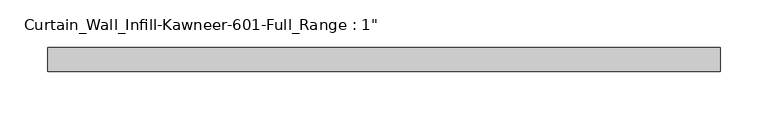
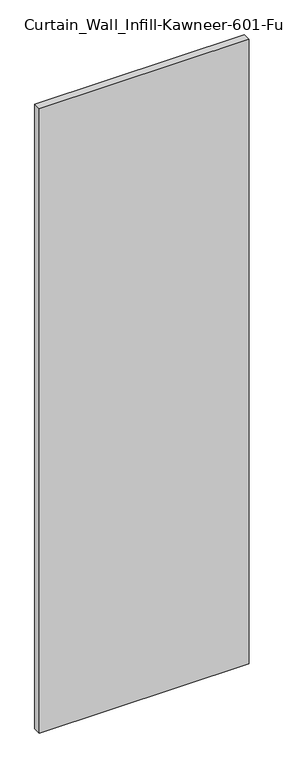
"""IFC4 building model written with IfcOpenShell, lengths in millimetres: plate geometry."""

from ifc_helpers import new_model, si_unit, origin, origin_with_axes, place, context, project, spatial, polyline, outline, extrude, source, transform, mapped, element, save


def plate_1256f956(model_context):
    return source(origin(), model_context, "Body", "SweptSolid", [
        extrude(outline(polyline([(-352.425, 12.7), (352.425, 12.7), (352.425, -12.7), (-352.425, -12.7), (-352.425, 12.7)])), origin_with_axes(), (0.0, 0.0, 1.0), 2216.15),
    ])


if __name__ == "__main__":
    model = new_model("IFC4")
    model_context = context("Model", 3, world=origin())
    ifc_project = project(units=[si_unit("LENGTHUNIT", "METRE", prefix="MILLI")], contexts=[model_context])
    site = spatial("IfcSite", under=ifc_project)
    building = spatial("IfcBuilding", under=site)
    placement = place(None, origin())
    plate_shape = plate_1256f956(model_context)
    element("IfcPlate", 1, ObjectType="Curtain_Wall_Infill-Kawneer-601-Full_Range : 1\"", at=placement, inside=building, context=model_context, shape_type="MappedRepresentation", body=[
        mapped(plate_shape, transform((0.0, 0.0, 0.0), x_axis=(1.0, 0.0, 0.0), y_axis=(0.0, 1.0, 0.0), z_axis=(0.0, 0.0, 1.0))),
    ])
    save(model, "model.ifc")
